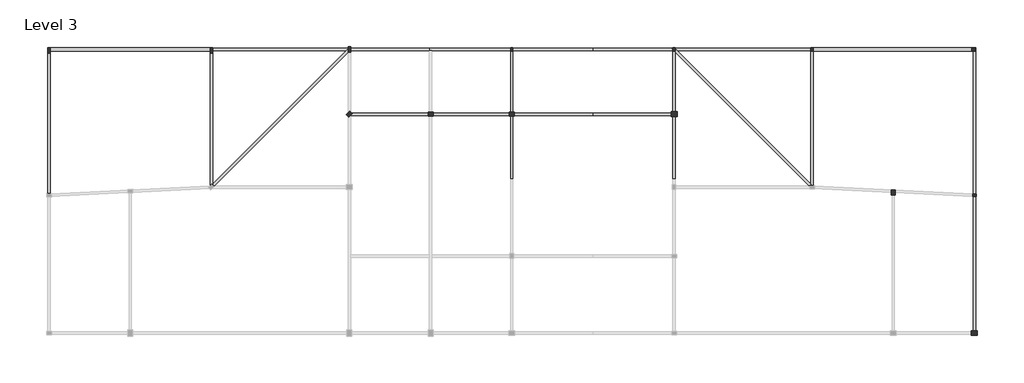
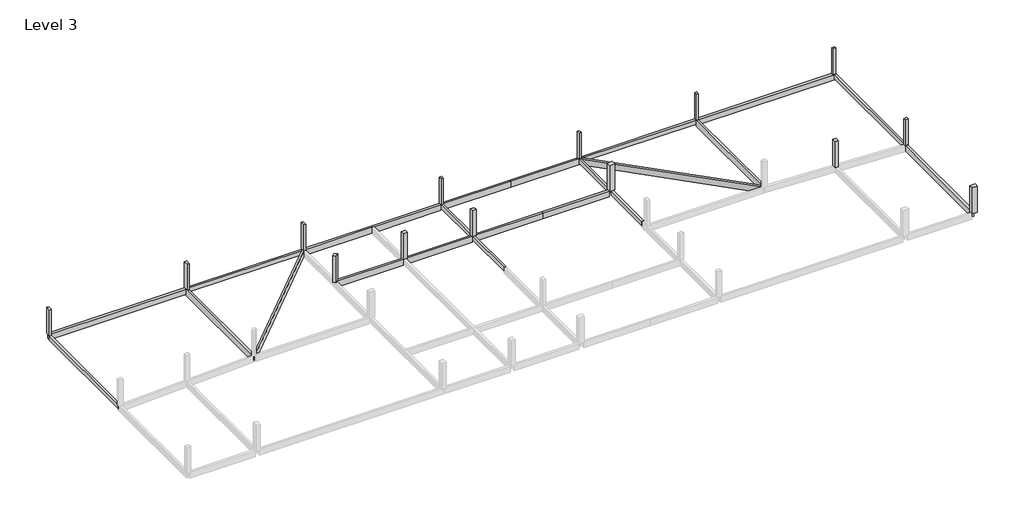
# One storey, part 2 of 2: 21 beams, 14 columns.
"""IFC4 building model written with IfcOpenShell, lengths in millimetres."""

import ifcopenshell
import ifcopenshell.guid

model = None  # the IFC model being written
_history = None  # IfcOwnerHistory: only IFC2X3 demands one
_inside = {}  # id of a spatial element -> (the spatial element, [elements in it])
_under = {}  # id of a project, library or spatial element -> (it, [spatial elements below it])
_declared = {}  # id of a project -> (the project, [libraries it declares])
_typed = {}  # id of a type object -> (the type object, [elements of that type])
_made_of = {}  # id of a material, layer set ... -> (it, [elements and type objects made of it])


def new_model(schema):
    """Start an empty IFC model of exactly this schema.

    Asked for "IFC4X3", IfcOpenShell would pick the latest addendum, in which some entities
    have other attributes; the version numbers below select the first issue.
    IFC2X3 requires an IfcOwnerHistory on every rooted entity: one is made here for all.
    """
    global model, _history
    if schema == "IFC4X3":
        model = ifcopenshell.file(schema_version=(4, 3, 0, 0))
    else:
        model = ifcopenshell.file(schema=schema)
    _inside.clear()
    _under.clear()
    _declared.clear()
    _typed.clear()
    _made_of.clear()
    _history = None
    if model.schema == "IFC2X3":
        org = make("IfcOrganization", Name="unknown")
        user = make(
            "IfcPersonAndOrganization",
            ThePerson=make("IfcPerson", FamilyName="unknown"),
            TheOrganization=org,
        )
        app = make(
            "IfcApplication",
            ApplicationDeveloper=org,
            Version="unknown",
            ApplicationFullName="unknown",
            ApplicationIdentifier="unknown",
        )
        _history = make(
            "IfcOwnerHistory",
            OwningUser=user,
            OwningApplication=app,
            ChangeAction="ADDED",
            CreationDate=0,
        )
    return model


def make(cls, **values):
    """One entity of the class cls with the attributes given. An attribute that is None is left unset."""
    return model.create_entity(
        cls, **{name: value for name, value in values.items() if value is not None}
    )


def rooted(cls, **values):
    """An entity with a GlobalId (a new one), such as an element, a storey or a relation."""
    return make(cls, GlobalId=ifcopenshell.guid.new(), OwnerHistory=_history, **values)


def si_unit(unit_type, name, prefix=None):
    """IfcSIUnit, for example si_unit("LENGTHUNIT", "METRE", prefix="MILLI")."""
    return make("IfcSIUnit", UnitType=unit_type, Prefix=prefix, Name=name)


def assignment(units):
    """IfcUnitAssignment: the units of a project."""
    return None if units is None else make("IfcUnitAssignment", Units=units)


def point(xyz):
    """IfcCartesianPoint."""
    return None if xyz is None else make("IfcCartesianPoint", Coordinates=xyz)


def direction(xyz):
    """IfcDirection."""
    return None if xyz is None else make("IfcDirection", DirectionRatios=xyz)


def frame(location, z_axis=None, x_axis=None):
    """IfcAxis2Placement3D, a coordinate frame: its origin and axes. An axis left out is left unset."""
    return make(
        "IfcAxis2Placement3D",
        Location=point(location),
        Axis=direction(z_axis),
        RefDirection=direction(x_axis),
    )


def origin():
    """The frame at (0, 0, 0) with its axes left unset."""
    return frame((0.0, 0.0, 0.0))


def place(relative_to, where):
    """IfcLocalPlacement: puts the frame where relative to a parent placement (None: the world)."""
    return make(
        "IfcLocalPlacement", PlacementRelTo=relative_to, RelativePlacement=where
    )


def context(
    kind, dimensions, precision=None, world=None, true_north=None, identifier=None
):
    """IfcGeometricRepresentationContext, for example the 3D "Model" context."""
    return make(
        "IfcGeometricRepresentationContext",
        ContextIdentifier=identifier,
        ContextType=kind,
        CoordinateSpaceDimension=dimensions,
        Precision=precision,
        WorldCoordinateSystem=world,
        TrueNorth=true_north,
    )


def project(units=None, contexts=None):
    """IfcProject with its units and contexts."""
    return rooted(
        "IfcProject",
        Name="project",
        RepresentationContexts=contexts,
        UnitsInContext=assignment(units),
    )


def spatial(cls, under=None, at=None, **own):
    """A site, building, storey or space (cls), placed at a placement, below another one or the project."""
    s = rooted(cls, ObjectPlacement=at, **own)
    if under is not None:
        _under.setdefault(under.id(), (under, []))[1].append(s)
    return s


def polyline(points):
    """IfcPolyline through the points."""
    return make("IfcPolyline", Points=[point(p) for p in points])


def outline(outer, holes=None, kind="AREA"):
    """IfcArbitraryClosedProfileDef: a profile drawn as a closed curve; with holes, ...WithVoids."""
    if holes is None:
        return make("IfcArbitraryClosedProfileDef", ProfileType=kind, OuterCurve=outer)
    return make(
        "IfcArbitraryProfileDefWithVoids",
        ProfileType=kind,
        OuterCurve=outer,
        InnerCurves=holes,
    )


def extrude(swept, where, along, depth):
    """IfcExtrudedAreaSolid: the profile swept, set in the frame where, extruded along a direction by depth."""
    return make(
        "IfcExtrudedAreaSolid",
        SweptArea=swept,
        Position=where,
        ExtrudedDirection=direction(along),
        Depth=depth,
    )


def faces_of(points, faces, orient=None, outer=None):
    """IfcFace entities. A face is a list of loops; a loop is a list of indices into points, from 0.

    orient and outer hold one flag for each loop. By default every Orientation is true, the
    first loop of a face is its IfcFaceOuterBound and the others are IfcFaceBound.
    """
    made = []
    for i, loops in enumerate(faces):
        bounds = []
        for j, loop in enumerate(loops):
            is_outer = j == 0 if outer is None else outer[i][j]
            bounds.append(
                make(
                    "IfcFaceOuterBound" if is_outer else "IfcFaceBound",
                    Bound=make("IfcPolyLoop", Polygon=[points[k] for k in loop]),
                    Orientation=True if orient is None else orient[i][j],
                )
            )
        made.append(make("IfcFace", Bounds=bounds))
    return made


def faceted_brep(points, faces, orient=None, outer=None, voids=None):
    """IfcFacetedBrep: a solid bounded by flat faces; with voids (closed shells), ...WithVoids."""
    shared = [point(p) for p in points]
    hull = make("IfcClosedShell", CfsFaces=faces_of(shared, faces, orient, outer))
    if voids is None:
        return make("IfcFacetedBrep", Outer=hull)
    return make(
        "IfcFacetedBrepWithVoids",
        Outer=hull,
        Voids=[
            make(cls, CfsFaces=faces_of(shared, fs, o, b)) for cls, fs, o, b in voids
        ],
    )


def shape(context_of_items, identifier, shape_type, items):
    """IfcShapeRepresentation: the items that make up one representation, for example the "Body"."""
    return make(
        "IfcShapeRepresentation",
        ContextOfItems=context_of_items,
        RepresentationIdentifier=identifier,
        RepresentationType=shape_type,
        Items=items,
    )


def made_of(thing, what):
    """Note that an element or type object is made of a material, layer set ...; save() writes the relation."""
    if what is not None:
        _made_of.setdefault(what.id(), (what, []))[1].append(thing)
    return thing


def element(
    cls,
    number,
    at=None,
    inside=None,
    cuts=None,
    type_object=None,
    material=None,
    context=None,
    identifier="Body",
    shape_type=None,
    held_by="IfcProductDefinitionShape",
    body=None,
    shapes=None,
    **own,
):
    """One element of the class cls, such as IfcWall. Its Tag is "e" and its number.

    at: its placement. inside: the storey or other place that contains it. cuts: it is an
    opening in that element (IfcRelVoidsElement). A single representation is given by context,
    identifier, shape_type and body (its items); several are given by shapes. held_by: the class
    of the entity that holds the representations. save() writes the other relations.
    """
    e = rooted(cls, Tag="e%d" % number, ObjectPlacement=at, **own)
    if body is not None:
        shapes = [shape(context, identifier, shape_type, body)]
    if shapes is not None:
        e.Representation = make(held_by, Representations=shapes)
    if inside is not None:
        _inside.setdefault(inside.id(), (inside, []))[1].append(e)
    if cuts is not None:
        rooted(
            "IfcRelVoidsElement", RelatingBuildingElement=cuts, RelatedOpeningElement=e
        )
    if type_object is not None:
        _typed.setdefault(type_object.id(), (type_object, []))[1].append(e)
    return made_of(e, material)


def aggregate(whole, parts):
    """IfcRelAggregates: a whole, such as a stair, and the parts it consists of."""
    return rooted("IfcRelAggregates", RelatingObject=whole, RelatedObjects=parts)


def save(model, path):
    """Write the relations noted so far, then the file.

    IfcRelAggregates (storeys below a building ...), IfcRelContainedInSpatialStructure (elements
    in a storey), IfcRelDefinesByType, IfcRelAssociatesMaterial and IfcRelDeclares: one each for
    every whole, place, type object, material and project.
    """
    for whole, parts in _under.values():
        aggregate(whole, parts)
    for where, things in _inside.values():
        rooted(
            "IfcRelContainedInSpatialStructure",
            RelatedElements=things,
            RelatingStructure=where,
        )
    for kind, things in _typed.values():
        rooted("IfcRelDefinesByType", RelatedObjects=things, RelatingType=kind)
    for what, things in _made_of.values():
        rooted("IfcRelAssociatesMaterial", RelatedObjects=things, RelatingMaterial=what)
    for by, libraries in _declared.values():
        rooted("IfcRelDeclares", RelatingContext=by, RelatedDefinitions=libraries)
    model.write(path)


model = new_model("IFC4")

# Units and contexts
model_context = context("Model", 3, world=origin())
ifc_project = project(units=[si_unit("LENGTHUNIT", "METRE", prefix="MILLI")], contexts=[model_context])

# Site, building, storey
site = spatial("IfcSite", under=ifc_project)
building = spatial("IfcBuilding", under=site)
storey = spatial("IfcBuildingStorey", under=building, Name="Level 3", Elevation=7000.0)

# Beams
placement = place(None, origin())
element("IfcBeam", 1, ObjectType="M_Concrete-Rectangular Beam : 300 x 600mm", at=placement, inside=storey, context=model_context, shape_type="Brep", body=[
    faceted_brep([(-15472.6221164, -7899.1951396, 7000.0), (-15172.6221164, -7884.1951396, 7000.0), (-15172.6221164, 9458.1174774, 7000.0), (-15172.6221164, 9758.1174774, 7000.0), (-15272.6221164, 9758.1174774, 7000.0), (-15272.6221164, 9458.1174774, 7000.0), (-15472.6221164, 9458.1174774, 7000.0), (-15472.6221164, -7899.1951396, 6400.0), (-15472.6221164, 9458.1174774, 6400.0), (-15172.6221164, -7884.1951396, 6400.0), (-15272.6221164, 9458.1174774, 6400.0), (-15272.6221164, 9758.1174774, 6400.0), (-15172.6221164, 9758.1174774, 6400.0)], [[[0, 1, 2, 3, 4, 5, 6]], [[7, 0, 6, 8]], [[9, 7, 8, 10, 11, 12]], [[12, 3, 2, 1, 9]], [[3, 12, 11, 4]], [[1, 0, 7, 9]], [[10, 5, 4, 11]], [[5, 10, 8, 6]]]),
])
element("IfcBeam", 2, ObjectType="M_Concrete-Rectangular Beam : 300 x 600mm", at=placement, inside=storey, context=model_context, shape_type="SweptSolid", body=[
    extrude(outline(polyline([(4827.3778836, 9808.1174774), (4827.3778836, 10108.1174774), (21527.3778836, 10108.1174774), (21527.3778836, 10020.2495118), (21315.2458493, 9808.1174774), (4827.3778836, 9808.1174774)])), frame((0.0, 0.0, 6400.0), z_axis=(0.0, 0.0, 1.0), x_axis=(1.0, 0.0, 0.0)), (0.0, 0.0, 1.0), 600.0),
])
element("IfcBeam", 3, ObjectType="M_Concrete-Rectangular Beam : 300 x 600mm", at=placement, inside=storey, context=model_context, shape_type="SweptSolid", body=[
    extrude(outline(polyline([(41827.3778836, -6041.8825226), (41527.3778836, -6041.8825226), (41527.3778836, 1808.1174774), (41827.3778836, 1808.1174774), (41827.3778836, -6041.8825226)])), frame((0.0, 0.0, 6400.0), z_axis=(0.0, 0.0, 1.0), x_axis=(1.0, 0.0, 0.0)), (0.0, 0.0, 1.0), 600.0),
    extrude(outline(polyline([(41527.3778836, 9733.1174774), (41827.3778836, 9733.1174774), (41827.3778836, 2108.1174774), (41527.3778836, 2108.1174774), (41527.3778836, 9733.1174774)])), frame((0.0, 0.0, 6400.0), z_axis=(0.0, 0.0, 1.0), x_axis=(1.0, 0.0, 0.0)), (0.0, 0.0, 1.0), 600.0),
])
element("IfcBeam", 4, ObjectType="M_Concrete-Rectangular Beam : 300 x 600mm", at=placement, inside=storey, context=model_context, shape_type="SweptSolid", body=[
    extrude(outline(polyline([(98527.3778836, 9758.1174774), (98827.3778836, 9758.1174774), (98827.3778836, -7891.8825226), (98681.1255428, -7891.8825226), (98527.3778836, -7884.1951396), (98527.3778836, 9758.1174774)])), frame((0.0, 0.0, 6400.0), z_axis=(0.0, 0.0, 1.0), x_axis=(1.0, 0.0, 0.0)), (0.0, 0.0, 1.0), 600.0),
])
element("IfcBeam", 5, ObjectType="M_Concrete-Rectangular Beam : 300 x 600mm", at=placement, inside=storey, context=model_context, shape_type="SweptSolid", body=[
    extrude(outline(polyline([(78527.3778836, 10108.1174774), (78527.3778836, 9808.1174774), (62039.509918, 9808.1174774), (61827.3778836, 10020.2495118), (61827.3778836, 10108.1174774), (78527.3778836, 10108.1174774)])), frame((0.0, 0.0, 6400.0), z_axis=(0.0, 0.0, 1.0), x_axis=(1.0, 0.0, 0.0)), (0.0, 0.0, 1.0), 600.0),
])
element("IfcBeam", 6, ObjectType="M_Concrete-Rectangular Beam : 300 x 600mm", at=placement, inside=storey, context=model_context, shape_type="SweptSolid", body=[
    extrude(outline(polyline([(61827.3778836, -6041.8825226), (61527.3778836, -6041.8825226), (61527.3778836, 1658.1174774), (61827.3778836, 1658.1174774), (61827.3778836, -6041.8825226)])), frame((0.0, 0.0, 6400.0), z_axis=(0.0, 0.0, 1.0), x_axis=(1.0, 0.0, 0.0)), (0.0, 0.0, 1.0), 600.0),
    extrude(outline(polyline([(61690.2458493, 9733.1174774), (61827.3778836, 9595.9854431), (61827.3778836, 2258.1174774), (61527.3778836, 2258.1174774), (61527.3778836, 9733.1174774), (61690.2458493, 9733.1174774)])), frame((0.0, 0.0, 6400.0), z_axis=(0.0, 0.0, 1.0), x_axis=(1.0, 0.0, 0.0)), (0.0, 0.0, 1.0), 600.0),
])
element("IfcBeam", 7, ObjectType="M_Concrete-Rectangular Beam : 300 x 900mm", at=placement, inside=storey, context=model_context, shape_type="Brep", body=[
    faceted_brep([(4777.3778836, 10158.1174774, 7000.0), (4777.3778836, 9458.1174774, 7000.0), (4577.3778836, 9458.1174774, 7000.0), (4577.3778836, 10158.1174774, 7000.0), (4527.3778836, 10158.1174774, 7000.0), (4527.3778836, 9758.1174774, 7000.0), (4527.3778836, 9458.1174774, 7000.0), (4527.3778836, -6899.1951396, 7000.0), (4527.3778836, -6979.7504882, 7000.0), (4730.4108922, -6776.7174796, 7000.0), (4827.3778836, -6873.684471, 7000.0), (4827.3778836, -6679.7504882, 7000.0), (4827.3778836, 9458.1174774, 7000.0), (4827.3778836, 9808.1174774, 7000.0), (4827.3778836, 10108.1174774, 7000.0), (4827.3778836, 10158.1174774, 7000.0), (4527.3778836, 10158.1174774, 6200.0), (4527.3778836, 10158.1174774, 6100.0), (4527.3778836, -6899.1951396, 6100.0), (4527.3778836, -6979.7504882, 6100.0), (4777.3778836, 9458.1174774, 6100.0), (4777.3778836, 10158.1174774, 6100.0), (4827.3778836, 10158.1174774, 6100.0), (4827.3778836, -6679.7504882, 6100.0), (4827.3778836, -6873.684471, 6100.0), (4730.4108922, -6776.7174796, 6100.0), (4577.3778836, 10158.1174774, 6100.0), (4577.3778836, 9458.1174774, 6100.0)], [[[0, 1, 2, 3, 4, 5, 6, 7, 8, 9, 10, 11, 12, 13, 14, 15]], [[4, 16, 17, 18, 19, 8, 7, 6, 5]], [[20, 21, 22, 23, 24, 25, 19, 18, 17, 26, 27]], [[22, 15, 14, 13, 12, 11, 10, 24, 23]], [[17, 16, 4, 3, 26]], [[20, 1, 0, 21]], [[27, 2, 1, 20]], [[2, 27, 26, 3]], [[25, 9, 8, 19]], [[9, 25, 24, 10]], [[15, 22, 21, 0]]]),
])
element("IfcBeam", 8, ObjectType="M_Concrete-Rectangular Beam : 300 x 900mm", at=placement, inside=storey, context=model_context, shape_type="Brep", body=[
    faceted_brep([(21827.3778836, 9895.9854431, 7000.0), (21615.2458493, 10108.1174774, 7000.0), (21527.3778836, 10020.2495118, 7000.0), (21315.2458493, 9808.1174774, 7000.0), (4827.3778836, -6679.7504882, 7000.0), (4827.3778836, -6873.684471, 7000.0), (4942.5429266, -6988.849514, 7000.0), (5039.509918, -6891.8825226, 7000.0), (21527.3778836, 9595.9854431, 7000.0), (21827.3778836, 9895.9854431, 6100.0), (4942.5429266, -6988.849514, 6100.0), (5039.509918, -6891.8825226, 6100.0), (21527.3778836, 9595.9854431, 6100.0), (21615.2458493, 10108.1174774, 6100.0), (4827.3778836, -6873.684471, 6100.0), (4827.3778836, -6679.7504882, 6100.0), (21527.3778836, 10020.2495118, 6100.0)], [[[0, 1, 2, 3, 4, 5, 6, 7, 8]], [[9, 0, 8, 7, 6, 10, 11, 12]], [[13, 9, 12, 11, 10, 14, 15, 16]], [[15, 4, 3, 2, 1, 13, 16]], [[4, 15, 14, 5]], [[1, 0, 9, 13]], [[6, 5, 14, 10]]]),
])
element("IfcBeam", 9, ObjectType="M_Concrete-Rectangular Beam : 300 x 900mm", at=placement, inside=storey, context=model_context, shape_type="Brep", body=[
    faceted_brep([(31527.3778836, 10108.1174774, 7000.0), (31527.3778836, 9808.1174774, 7000.0), (31827.3778836, 9808.1174774, 7000.0), (41527.3778836, 9808.1174774, 7000.0), (41527.3778836, 10108.1174774, 7000.0), (31527.3778836, 9808.1174774, 6100.0), (31827.3778836, 9808.1174774, 6100.0), (41527.3778836, 9808.1174774, 6100.0), (31527.3778836, 10108.1174774, 6100.0), (41527.3778836, 10108.1174774, 6100.0)], [[[0, 1, 2, 3, 4]], [[1, 5, 6, 7, 3, 2]], [[5, 8, 9, 7, 6]], [[8, 0, 4, 9]], [[1, 0, 8, 5]], [[4, 3, 7, 9]]]),
])
element("IfcBeam", 10, ObjectType="M_Concrete-Rectangular Beam : 300 x 900mm", at=placement, inside=storey, context=model_context, shape_type="SweptSolid", body=[
    extrude(outline(polyline([(41452.3778836, 2108.1174774), (41452.3778836, 1808.1174774), (31902.3778836, 1808.1174774), (31902.3778836, 2108.1174774), (41452.3778836, 2108.1174774)])), frame((0.0, 0.0, 6100.0), z_axis=(0.0, 0.0, 1.0), x_axis=(1.0, 0.0, 0.0)), (0.0, 0.0, 1.0), 900.0),
])
element("IfcBeam", 11, ObjectType="M_Concrete-Rectangular Beam : 300 x 900mm", at=placement, inside=storey, context=model_context, shape_type="Brep", body=[
    faceted_brep([(21527.3778836, 10108.1174774, 7000.0), (21527.3778836, 10020.2495118, 7000.0), (21615.2458493, 10108.1174774, 7000.0), (31527.3778836, 9808.1174774, 6100.0), (31527.3778836, 9808.1174774, 7000.0), (21827.3778836, 9808.1174774, 7000.0), (21827.3778836, 9808.1174774, 6100.0), (21527.3778836, 10020.2495118, 6100.0), (21527.3778836, 10108.1174774, 6100.0), (21615.2458493, 10108.1174774, 6100.0), (31527.3778836, 10108.1174774, 7000.0), (31527.3778836, 10108.1174774, 6100.0), (21527.3778836, 10108.1174774, 6400.0), (21827.3778836, 9895.9854431, 7000.0), (21827.3778836, 9895.9854431, 6100.0), (21527.3778836, 10020.2495118, 6400.0)], [[[0, 1, 2]], [[3, 4, 5, 6]], [[7, 8, 9]], [[10, 11, 9, 8, 12, 0, 2]], [[10, 4, 3, 11]], [[6, 5, 13, 14]], [[2, 9, 14, 13]], [[0, 12, 8, 7, 15, 1]], [[9, 2, 1, 15, 7]], [[4, 10, 2, 13, 5]], [[11, 3, 6, 14, 9]]]),
])
element("IfcBeam", 12, ObjectType="M_Concrete-Rectangular Beam : 300 x 900mm", at=placement, inside=storey, context=model_context, shape_type="SweptSolid", body=[
    extrude(outline(polyline([(31452.3778836, 1808.1174774), (21827.3778836, 1808.1174774), (21827.3778836, 1895.9854431), (21942.5429266, 2011.150486), (21845.5759351, 2108.1174774), (31452.3778836, 2108.1174774), (31452.3778836, 1808.1174774)])), frame((0.0, 0.0, 6100.0), z_axis=(0.0, 0.0, 1.0), x_axis=(1.0, 0.0, 0.0)), (0.0, 0.0, 1.0), 900.0),
])
element("IfcBeam", 13, ObjectType="M_Concrete-Rectangular Beam : 300 x 900mm", at=placement, inside=storey, context=model_context, shape_type="Brep", body=[
    faceted_brep([(78527.3778836, -7104.0145569, 7000.0), (78827.3778836, -7104.0145569, 7000.0), (78827.3778836, -6899.1951396, 7000.0), (78827.3778836, 9733.1174774, 7000.0), (78527.3778836, 9733.1174774, 7000.0), (78527.3778836, -6679.7504882, 7000.0), (78827.3778836, -7104.0145569, 6100.0), (78827.3778836, -6899.1951396, 6100.0), (78827.3778836, 9733.1174774, 6100.0), (78527.3778836, -7104.0145569, 6100.0), (78527.3778836, -6679.7504882, 6100.0), (78527.3778836, 9733.1174774, 6100.0)], [[[0, 1, 2, 3, 4, 5]], [[1, 6, 7, 8, 3, 2]], [[6, 9, 10, 11, 8, 7]], [[9, 0, 5, 4, 11, 10]], [[0, 9, 6, 1]], [[4, 3, 8, 11]]]),
])
element("IfcBeam", 14, ObjectType="M_Concrete-Rectangular Beam : 300 x 900mm", at=placement, inside=storey, context=model_context, shape_type="Brep", body=[
    faceted_brep([(61527.3778836, 10108.1174774, 7000.0), (61315.2458493, 10108.1174774, 7000.0), (61527.3778836, 9895.9854431, 7000.0), (61315.2458493, 10108.1174774, 6100.0), (61527.3778836, 9895.9854431, 6100.0), (61527.3778836, 10108.1174774, 6100.0)], [[[0, 1, 2]], [[1, 3, 4, 2]], [[3, 5, 4]], [[3, 1, 0, 5]], [[0, 2, 4, 5]]]),
    faceted_brep([(78527.3778836, -6679.7504882, 7000.0), (78527.3778836, -6679.7504882, 6100.0), (61827.3778836, 10020.2495118, 6100.0), (61827.3778836, 10020.2495118, 6400.0), (61827.3778836, 10020.2495118, 7000.0), (62039.509918, 9808.1174774, 7000.0), (78527.3778836, -7104.0145569, 7000.0), (78527.3778836, -7104.0145569, 6100.0), (61827.3778836, 9733.1174774, 6100.0), (61827.3778836, 9733.1174774, 7000.0), (61690.2458493, 9733.1174774, 6100.0), (61690.2458493, 9733.1174774, 6400.0), (61690.2458493, 9733.1174774, 7000.0), (61827.3778836, 9595.9854431, 7000.0), (78315.2458493, -6891.8825226, 7000.0), (78315.2458493, -6891.8825226, 6100.0)], [[[0, 1, 2, 3, 4, 5]], [[0, 6, 7, 1]], [[8, 9, 4, 3, 2]], [[9, 8, 10, 11, 12]], [[6, 0, 5, 4, 9, 12, 13, 14]], [[7, 6, 14, 13, 12, 11, 10, 15]], [[1, 7, 15, 10, 8, 2]]]),
])
element("IfcBeam", 15, ObjectType="M_Concrete-Rectangular Beam : 300 x 900mm", at=placement, inside=storey, context=model_context, shape_type="SweptSolid", body=[
    extrude(outline(polyline([(98673.6302244, -8191.8825226), (98827.3778836, -8199.5699055), (98827.3778836, -24741.8825226), (98527.3778836, -24741.8825226), (98527.3778836, -8191.8825226), (98673.6302244, -8191.8825226)])), frame((0.0, 0.0, 6100.0), z_axis=(0.0, 0.0, 1.0), x_axis=(1.0, 0.0, 0.0)), (0.0, 0.0, 1.0), 900.0),
])
element("IfcBeam", 16, ObjectType="M_Concrete-Rectangular Beam : 300 x 900mm", at=placement, inside=storey, context=model_context, shape_type="SweptSolid", body=[
    extrude(outline(polyline([(51677.3778836, 10108.1174774), (51677.3778836, 9808.1174774), (41827.3778836, 9808.1174774), (41827.3778836, 10108.1174774), (51677.3778836, 10108.1174774)])), frame((0.0, 0.0, 6100.0), z_axis=(0.0, 0.0, 1.0), x_axis=(1.0, 0.0, 0.0)), (0.0, 0.0, 1.0), 900.0),
])
element("IfcBeam", 17, ObjectType="M_Concrete-Rectangular Beam : 300 x 900mm", at=placement, inside=storey, context=model_context, shape_type="SweptSolid", body=[
    extrude(outline(polyline([(51677.3778836, 2108.1174774), (51677.3778836, 1808.1174774), (41902.3778836, 1808.1174774), (41902.3778836, 2108.1174774), (51677.3778836, 2108.1174774)])), frame((0.0, 0.0, 6100.0), z_axis=(0.0, 0.0, 1.0), x_axis=(1.0, 0.0, 0.0)), (0.0, 0.0, 1.0), 900.0),
])
element("IfcBeam", 18, ObjectType="M_Concrete-Rectangular Beam : 300 x 900mm", at=placement, inside=storey, context=model_context, shape_type="SweptSolid", body=[
    extrude(outline(polyline([(51677.3778836, 9808.1174774), (51677.3778836, 10108.1174774), (61315.2458493, 10108.1174774), (61527.3778836, 9895.9854431), (61527.3778836, 9808.1174774), (51677.3778836, 9808.1174774)])), frame((0.0, 0.0, 6100.0), z_axis=(0.0, 0.0, 1.0), x_axis=(1.0, 0.0, 0.0)), (0.0, 0.0, 1.0), 900.0),
])
element("IfcBeam", 19, ObjectType="M_Concrete-Rectangular Beam : 300 x 900mm", at=placement, inside=storey, context=model_context, shape_type="SweptSolid", body=[
    extrude(outline(polyline([(51677.3778836, 1808.1174774), (51677.3778836, 2108.1174774), (61302.3778836, 2108.1174774), (61302.3778836, 1808.1174774), (51677.3778836, 1808.1174774)])), frame((0.0, 0.0, 6100.0), z_axis=(0.0, 0.0, 1.0), x_axis=(1.0, 0.0, 0.0)), (0.0, 0.0, 1.0), 900.0),
])
element("IfcBeam", 20, ObjectType="M_Concrete-Rectangular Beam : 400 x 800mm", at=placement, inside=storey, context=model_context, shape_type="Brep", body=[
    faceted_brep([(4527.3778836, 9758.1174774, 7000.0), (4527.3778836, 10158.1174774, 7000.0), (-15172.6221164, 10158.1174774, 7000.0), (-15272.6221164, 10158.1174774, 7000.0), (-15272.6221164, 9758.1174774, 7000.0), (-15172.6221164, 9758.1174774, 7000.0), (4527.3778836, 9758.1174774, 6200.0), (-15272.6221164, 9758.1174774, 6400.0), (-15272.6221164, 9758.1174774, 6200.0), (4527.3778836, 10158.1174774, 6200.0), (-15272.6221164, 10158.1174774, 6200.0)], [[[0, 1, 2, 3, 4, 5]], [[6, 0, 5, 4, 7, 8]], [[9, 6, 8, 10]], [[1, 9, 10, 3, 2]], [[1, 0, 6, 9]], [[4, 3, 10, 8, 7]]]),
])
element("IfcBeam", 21, ObjectType="M_Concrete-Rectangular Beam : 400 x 800mm", at=placement, inside=storey, context=model_context, shape_type="Brep", body=[
    faceted_brep([(78827.3778836, 10158.1174774, 7000.0), (78827.3778836, 9758.1174774, 7000.0), (98527.3778836, 9758.1174774, 7000.0), (98827.3778836, 9758.1174774, 7000.0), (98827.3778836, 10158.1174774, 7000.0), (98352.3778836, 10108.1174774, 7000.0), (98802.3778836, 10108.1174774, 7000.0), (98802.3778836, 9808.1174774, 7000.0), (98352.3778836, 9808.1174774, 7000.0), (78827.3778836, 9758.1174774, 6200.0), (98827.3778836, 9758.1174774, 6200.0), (98827.3778836, 9758.1174774, 6400.0), (78827.3778836, 10158.1174774, 6200.0), (98827.3778836, 10158.1174774, 6200.0), (98802.3778836, 10108.1174774, 6200.0), (98352.3778836, 10108.1174774, 6200.0), (98352.3778836, 9808.1174774, 6200.0), (98802.3778836, 9808.1174774, 6200.0)], [[[0, 1, 2, 3, 4], [5, 6, 7, 8]], [[1, 9, 10, 11, 3, 2]], [[9, 12, 13, 10], [14, 15, 16, 17]], [[4, 13, 12, 0]], [[1, 0, 12, 9]], [[4, 3, 11, 10, 13]], [[14, 6, 5, 15]], [[6, 14, 17, 7]], [[7, 17, 16, 8]], [[8, 16, 15, 5]]]),
])

# Columns
element("IfcColumn", 22, ObjectType="M_Concrete-Rectangular-Column : 300 x 450mm", at=placement, inside=storey, context=model_context, shape_type="Brep", body=[
    faceted_brep([(41827.3778836, 10183.1174774, 7000.0), (41827.3778836, 9733.1174774, 7000.0), (41527.3778836, 9733.1174774, 7000.0), (41527.3778836, 10183.1174774, 7000.0), (41827.3778836, 10183.1174774, 11000.0), (41827.3778836, 9733.1174774, 11000.0), (41827.3778836, 9733.1174774, 10000.0), (41827.3778836, 9733.1174774, 9400.0), (41527.3778836, 9733.1174774, 11000.0), (41527.3778836, 9733.1174774, 10000.0), (41527.3778836, 9733.1174774, 9400.0), (41527.3778836, 10183.1174774, 11000.0)], [[[0, 1, 2, 3]], [[4, 5, 6, 7, 1, 0]], [[5, 8, 9, 10, 2, 1, 7, 6]], [[8, 11, 3, 2, 10, 9]], [[11, 4, 0, 3]], [[4, 11, 8, 5]]]),
])
element("IfcColumn", 23, ObjectType="M_Concrete-Rectangular-Column : 300 x 450mm", at=placement, inside=storey, context=model_context, shape_type="Brep", body=[
    faceted_brep([(61827.3778836, 10183.1174774, 7000.0), (61827.3778836, 9733.1174774, 7000.0), (61527.3778836, 9733.1174774, 7000.0), (61527.3778836, 10183.1174774, 7000.0), (61827.3778836, 10183.1174774, 11000.0), (61827.3778836, 9733.1174774, 11000.0), (61827.3778836, 9733.1174774, 10000.0), (61827.3778836, 9733.1174774, 9100.0), (61527.3778836, 9733.1174774, 11000.0), (61527.3778836, 9733.1174774, 10000.0), (61527.3778836, 9733.1174774, 9400.0), (61527.3778836, 10183.1174774, 11000.0)], [[[0, 1, 2, 3]], [[4, 5, 6, 7, 1, 0]], [[5, 8, 9, 10, 2, 1, 7, 6]], [[8, 11, 3, 2, 10, 9]], [[11, 4, 0, 3]], [[4, 11, 8, 5]]]),
])
element("IfcColumn", 24, ObjectType="M_Concrete-Rectangular-Column : 300 x 450mm", at=placement, inside=storey, context=model_context, shape_type="Brep", body=[
    faceted_brep([(78827.3778836, 10183.1174774, 7000.0), (78827.3778836, 9733.1174774, 7000.0), (78527.3778836, 9733.1174774, 7000.0), (78527.3778836, 10183.1174774, 7000.0), (78827.3778836, 10183.1174774, 11000.0), (78827.3778836, 9733.1174774, 11000.0), (78827.3778836, 9733.1174774, 10000.0), (78827.3778836, 9733.1174774, 9100.0), (78527.3778836, 9733.1174774, 11000.0), (78527.3778836, 9733.1174774, 10000.0), (78527.3778836, 9733.1174774, 9100.0), (78527.3778836, 10183.1174774, 11000.0)], [[[0, 1, 2, 3]], [[4, 5, 6, 7, 1, 0]], [[5, 8, 9, 10, 2, 1, 7, 6]], [[8, 11, 3, 2, 10, 9]], [[11, 4, 0, 3]], [[4, 11, 8, 5]]]),
])
element("IfcColumn", 25, ObjectType="M_Concrete-Rectangular-Column : 300 x 450mm", at=placement, inside=storey, context=model_context, shape_type="Brep", body=[
    faceted_brep([(98352.3778836, 10108.1174774, 7000.0), (98802.3778836, 10108.1174774, 7000.0), (98802.3778836, 9808.1174774, 7000.0), (98352.3778836, 9808.1174774, 7000.0), (98352.3778836, 10108.1174774, 11000.0), (98802.3778836, 10108.1174774, 11000.0), (98802.3778836, 10108.1174774, 10000.0), (98802.3778836, 10108.1174774, 9200.0), (98352.3778836, 10108.1174774, 9200.0), (98352.3778836, 10108.1174774, 10000.0), (98802.3778836, 9808.1174774, 11000.0), (98802.3778836, 9808.1174774, 10000.0), (98802.3778836, 9808.1174774, 9200.0), (98352.3778836, 9808.1174774, 11000.0), (98352.3778836, 9808.1174774, 10000.0), (98352.3778836, 9808.1174774, 9200.0)], [[[0, 1, 2, 3]], [[4, 5, 6, 7, 1, 0, 8, 9]], [[5, 10, 11, 12, 2, 1, 7, 6]], [[10, 13, 14, 15, 3, 2, 12, 11]], [[13, 4, 9, 8, 0, 3, 15, 14]], [[4, 13, 10, 5]]]),
])
element("IfcColumn", 26, ObjectType="M_Concrete-Rectangular-Column : 300 x 450mm", at=placement, inside=storey, context=model_context, shape_type="Brep", body=[
    faceted_brep([(98452.3778836, -7891.8825226, 7000.0), (98902.3778836, -7891.8825226, 7000.0), (98902.3778836, -8191.8825226, 7000.0), (98452.3778836, -8191.8825226, 7000.0), (98452.3778836, -7891.8825226, 11000.0), (98902.3778836, -7891.8825226, 11000.0), (98452.3778836, -7891.8825226, 9100.0), (98452.3778836, -7891.8825226, 10000.0), (98902.3778836, -8191.8825226, 11000.0), (98452.3778836, -8191.8825226, 11000.0)], [[[0, 1, 2, 3]], [[4, 5, 1, 0, 6, 7]], [[5, 8, 2, 1]], [[8, 9, 3, 2]], [[9, 4, 7, 6, 0, 3]], [[4, 9, 8, 5]]]),
])
element("IfcColumn", 27, ObjectType="M_Concrete-Rectangular-Column : 300 x 700mm", at=placement, inside=storey, context=model_context, shape_type="Brep", body=[
    faceted_brep([(-15172.6221164, 10158.1174774, 7000.0), (-15172.6221164, 9758.1174774, 7000.0), (-15172.6221164, 9458.1174774, 7000.0), (-15472.6221164, 9458.1174774, 7000.0), (-15472.6221164, 10158.1174774, 7000.0), (-15272.6221164, 10158.1174774, 7000.0), (-15172.6221164, 10158.1174774, 11000.0), (-15172.6221164, 9458.1174774, 11000.0), (-15172.6221164, 9458.1174774, 10000.0), (-15172.6221164, 9458.1174774, 9400.0), (-15172.6221164, 10158.1174774, 9200.0), (-15172.6221164, 10158.1174774, 10000.0), (-15472.6221164, 9458.1174774, 11000.0), (-15472.6221164, 9458.1174774, 10000.0), (-15472.6221164, 9458.1174774, 9400.0), (-15472.6221164, 10158.1174774, 11000.0)], [[[0, 1, 2, 3, 4, 5]], [[6, 7, 8, 9, 2, 1, 0, 10, 11]], [[7, 12, 13, 14, 3, 2, 9, 8]], [[12, 15, 4, 3, 14, 13]], [[15, 6, 11, 10, 0, 5, 4]], [[6, 15, 12, 7]]]),
])
element("IfcColumn", 28, ObjectType="M_Concrete-Rectangular-Column : 300 x 700mm", at=placement, inside=storey, context=model_context, shape_type="Brep", body=[
    faceted_brep([(4827.3778836, 10158.1174774, 7000.0), (4827.3778836, 9458.1174774, 7000.0), (4527.3778836, 9458.1174774, 7000.0), (4527.3778836, 10158.1174774, 7000.0), (4577.3778836, 10158.1174774, 7000.0), (4777.3778836, 10158.1174774, 7000.0), (4827.3778836, 10158.1174774, 11000.0), (4827.3778836, 9458.1174774, 11000.0), (4827.3778836, 9458.1174774, 10000.0), (4827.3778836, 9458.1174774, 9100.0), (4527.3778836, 9458.1174774, 11000.0), (4527.3778836, 9458.1174774, 10000.0), (4527.3778836, 9458.1174774, 9100.0), (4527.3778836, 10158.1174774, 11000.0), (4527.3778836, 10158.1174774, 10000.0), (4527.3778836, 10158.1174774, 9200.0)], [[[0, 1, 2, 3, 4, 5]], [[6, 7, 8, 9, 1, 0]], [[7, 10, 11, 12, 2, 1, 9, 8]], [[10, 13, 14, 15, 3, 2, 12, 11]], [[13, 6, 0, 5, 4, 3, 15, 14]], [[6, 13, 10, 7]]]),
])
element("IfcColumn", 29, ObjectType="M_Concrete-Rectangular-Column : 300 x 700mm", at=placement, inside=storey, context=model_context, shape_type="Brep", body=[
    faceted_brep([(21827.3778836, 10308.1174774, 7000.0), (21827.3778836, 9895.9854431, 7000.0), (21827.3778836, 9608.1174774, 7000.0), (21527.3778836, 9608.1174774, 7000.0), (21527.3778836, 10020.2495118, 7000.0), (21527.3778836, 10108.1174774, 7000.0), (21527.3778836, 10308.1174774, 7000.0), (21827.3778836, 10308.1174774, 11000.0), (21827.3778836, 9608.1174774, 11000.0), (21827.3778836, 9608.1174774, 10000.0), (21827.3778836, 9608.1174774, 9100.0), (21527.3778836, 9608.1174774, 11000.0), (21527.3778836, 9608.1174774, 10000.0), (21527.3778836, 9608.1174774, 9100.0), (21527.3778836, 10308.1174774, 11000.0)], [[[0, 1, 2, 3, 4, 5, 6]], [[7, 8, 9, 10, 2, 1, 0]], [[8, 11, 12, 13, 3, 2, 10, 9]], [[11, 14, 6, 5, 4, 3, 13, 12]], [[14, 7, 0, 6]], [[7, 14, 11, 8]]]),
])
element("IfcColumn", 30, ObjectType="M_Concrete-Rectangular-Column : 450 x 600mm", at=placement, inside=storey, context=model_context, shape_type="Brep", body=[
    faceted_brep([(88902.3778836, -7392.0699055, 7000.0), (88902.3778836, -7992.0699055, 7000.0), (88452.3778836, -7992.0699055, 7000.0), (88452.3778836, -7392.0699055, 7000.0), (88902.3778836, -7392.0699055, 11000.0), (88902.3778836, -7992.0699055, 11000.0), (88452.3778836, -7992.0699055, 11000.0), (88452.3778836, -7392.0699055, 11000.0), (88452.3778836, -7392.0699055, 10000.0), (88452.3778836, -7392.0699055, 9100.0)], [[[0, 1, 2, 3]], [[4, 5, 1, 0]], [[5, 6, 2, 1]], [[6, 7, 8, 9, 3, 2]], [[7, 4, 0, 3, 9, 8]], [[4, 7, 6, 5]]]),
])
element("IfcColumn", 31, ObjectType="M_Concrete-Rectangular-Column : 450 x 600mm", at=placement, inside=storey, context=model_context, shape_type="SweptSolid", body=[
    extrude(outline(polyline([(41977.3778836, 1733.1174774), (41377.3778836, 1733.1174774), (41377.3778836, 2183.1174774), (41977.3778836, 2183.1174774), (41977.3778836, 1733.1174774)])), frame((0.0, 0.0, 7000.0), z_axis=(0.0, 0.0, 1.0), x_axis=(1.0, 0.0, 0.0)), (0.0, 0.0, 1.0), 4000.0),
])
element("IfcColumn", 32, ObjectType="M_Concrete-Rectangular-Column : 450 x 600mm", at=placement, inside=storey, context=model_context, shape_type="SweptSolid", body=[
    extrude(outline(polyline([(31977.3778836, 1733.1174774), (31377.3778836, 1733.1174774), (31377.3778836, 2183.1174774), (31977.3778836, 2183.1174774), (31977.3778836, 1733.1174774)])), frame((0.0, 0.0, 7000.0), z_axis=(0.0, 0.0, 1.0), x_axis=(1.0, 0.0, 0.0)), (0.0, 0.0, 1.0), 4000.0),
])
element("IfcColumn", 33, ObjectType="M_Concrete-Rectangular-Column : 450 x 600mm", at=placement, inside=storey, context=model_context, shape_type="Brep", body=[
    faceted_brep([(22048.6089437, 2011.150486, 7000.0), (21624.344875, 1586.8864173, 7000.0), (21306.1468235, 1905.0844688, 7000.0), (21730.4108922, 2329.3485375, 7000.0), (22048.6089437, 2011.150486, 11000.0), (21624.344875, 1586.8864173, 11000.0), (21624.344875, 1586.8864173, 10000.0), (21624.344875, 1586.8864173, 9100.0), (22048.6089437, 2011.150486, 9100.0), (22048.6089437, 2011.150486, 10000.0), (21306.1468235, 1905.0844688, 11000.0), (21730.4108922, 2329.3485375, 11000.0), (21730.4108922, 2329.3485375, 10000.0), (21730.4108922, 2329.3485375, 9100.0)], [[[0, 1, 2, 3]], [[4, 5, 6, 7, 1, 0, 8, 9]], [[5, 10, 2, 1, 7, 6]], [[10, 11, 12, 13, 3, 2]], [[11, 4, 9, 8, 0, 3, 13, 12]], [[4, 11, 10, 5]]]),
])
element("IfcColumn", 34, ObjectType="M_Concrete-Rectangular-Column : 600 x 750mm", at=placement, inside=storey, context=model_context, shape_type="SweptSolid", body=[
    extrude(outline(polyline([(98302.3778836, -24741.8825226), (99052.3778836, -24741.8825226), (99052.3778836, -25341.8825226), (98302.3778836, -25341.8825226), (98302.3778836, -24741.8825226)])), frame((0.0, 0.0, 7000.0), z_axis=(0.0, 0.0, 1.0), x_axis=(1.0, 0.0, 0.0)), (0.0, 0.0, 1.0), 4000.0),
])
element("IfcColumn", 35, ObjectType="M_Concrete-Rectangular-Column : 600 x 750mm", at=placement, inside=storey, context=model_context, shape_type="SweptSolid", body=[
    extrude(outline(polyline([(61302.3778836, 2258.1174774), (62052.3778836, 2258.1174774), (62052.3778836, 1658.1174774), (61302.3778836, 1658.1174774), (61302.3778836, 2258.1174774)])), frame((0.0, 0.0, 7000.0), z_axis=(0.0, 0.0, 1.0), x_axis=(1.0, 0.0, 0.0)), (0.0, 0.0, 1.0), 4000.0),
])

save(model, "model.ifc")
